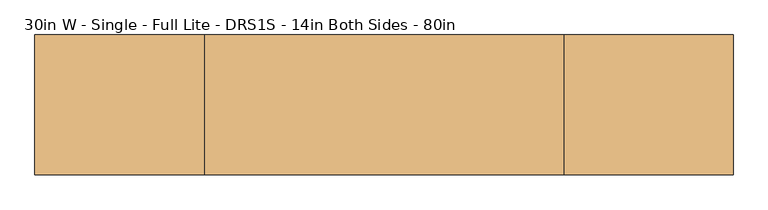
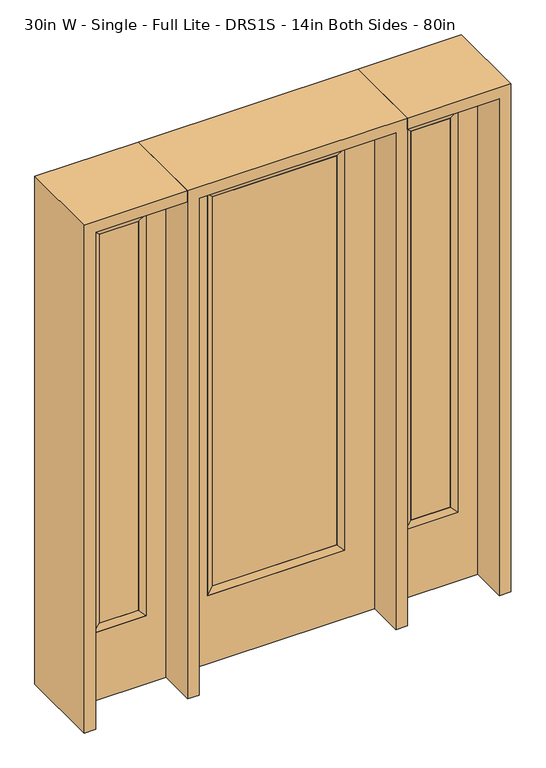
"""IFC4 building model written with IfcOpenShell, lengths in millimetres: door geometry, 30in W - Single - Full Lite - DRS1S - 14in Both Sides - 80in."""

from ifc_helpers import new_model, si_unit, frame, origin, place, context, project, spatial, polyline, outline, extrude, faceted_brep, source, transform, mapped, element, save


def door_30in_w_single_full_lite_drs1s_14in_both_sides_80in_858e8fc7(model_context):
    return source(origin(), model_context, "Body", "SolidModel", [
        extrude(outline(polyline([(240.1824, -12.7039749), (-240.1824, -12.7039749), (-240.1824, 14.2875), (240.1824, 14.2875), (240.1824, -12.7039749)])), frame((0.0, 0.0, 304.8), z_axis=(0.0, 0.0, 1.0), x_axis=(1.0, 0.0, 0.0)), (0.0, 0.0, 1.0), 1591.1576),
        faceted_brep([(240.1824, 14.2875, 1895.9576), (265.5824, 22.225, 1921.3576), (265.5824, 22.225, 279.4), (240.1824, 14.2875, 304.8), (265.5824, -22.225, 1921.3576), (265.5824, -22.225, 279.4), (-265.5824, 22.225, 279.4), (-240.1824, 14.2875, 304.8), (240.1824, -12.7039749, 1895.9576), (240.1824, -12.7039749, 304.8), (-240.1824, -12.7039749, 304.8), (-265.5824, -22.225, 279.4), (-265.5824, 22.225, 1921.3576), (-240.1824, 14.2875, 1895.9576), (-240.1824, -12.7039749, 1895.9576), (-265.5824, -22.225, 1921.3576)], [[[0, 1, 2, 3]], [[1, 4, 5, 2]], [[3, 2, 6, 7]], [[8, 0, 3, 9]], [[9, 3, 7, 10]], [[4, 8, 9, 5]], [[5, 9, 10, 11]], [[2, 5, 11, 6]], [[7, 6, 12, 13]], [[10, 7, 13, 14]], [[11, 10, 14, 15]], [[6, 11, 15, 12]], [[13, 12, 1, 0]], [[14, 13, 0, 8]], [[15, 14, 8, 4]], [[12, 15, 4, 1]]]),
        extrude(outline(polyline([(0.0, -381.0), (0.0, 381.0), (2032.0, 381.0), (2032.0, -381.0), (0.0, -381.0)]), holes=[polyline([(279.4, -265.5824), (1921.3576, -265.5824), (1921.3576, 265.5824), (279.4, 265.5824), (279.4, -265.5824)])]), frame((0.0, -22.225, 0.0), z_axis=(0.0, 1.0, 0.0), x_axis=(0.0, 0.0, 1.0)), (0.0, 0.0, 1.0), 44.45),
        faceted_brep([(501.65, 20.6375, 1920.875), (501.65, 20.6375, 279.4), (501.65, -20.6375, 279.4), (501.65, -20.6375, 1920.875), (527.05, -12.7, 304.8), (527.05, -12.7, 1895.475), (704.85, 20.6375, 279.4), (704.85, -20.6375, 279.4), (527.05, 12.7, 1895.475), (527.05, 12.7, 304.8), (679.45, 12.7, 304.8), (679.45, -12.7, 304.8), (704.85, 20.6375, 1920.875), (704.85, -20.6375, 1920.875), (679.45, 12.7, 1895.475), (679.45, -12.7, 1895.475)], [[[0, 1, 2, 3]], [[3, 2, 4, 5]], [[1, 6, 7, 2]], [[8, 9, 1, 0]], [[9, 10, 6, 1]], [[5, 4, 9, 8]], [[4, 11, 10, 9]], [[2, 7, 11, 4]], [[6, 12, 13, 7]], [[10, 14, 12, 6]], [[11, 15, 14, 10]], [[7, 13, 15, 11]], [[12, 0, 3, 13]], [[14, 8, 0, 12]], [[15, 5, 8, 14]], [[13, 3, 5, 15]]]),
        extrude(outline(polyline([(0.0, 781.05), (2032.0, 781.05), (2032.0, 425.45), (0.0, 425.45), (0.0, 781.05)]), holes=[polyline([(1920.875, 501.65), (1920.875, 704.85), (279.4, 704.85), (279.4, 501.65), (1920.875, 501.65)])]), frame((0.0, -20.6375, 0.0), z_axis=(0.0, 1.0, 0.0), x_axis=(0.0, 0.0, 1.0)), (0.0, 0.0, 1.0), 41.275),
        extrude(outline(polyline([(527.05, -12.7), (527.05, 12.7), (679.45, 12.7), (679.45, -12.7), (527.05, -12.7)])), frame((0.0, 0.0, 304.8), z_axis=(0.0, 0.0, 1.0), x_axis=(1.0, 0.0, 0.0)), (0.0, 0.0, 1.0), 1590.675),
        faceted_brep([(-501.65, 20.6375, 1920.875), (-501.65, -20.6375, 1920.875), (-501.65, -20.6375, 279.4), (-501.65, 20.6375, 279.4), (-527.05, -12.7, 1895.475), (-527.05, -12.7, 304.8), (-704.85, -20.6375, 279.4), (-704.85, 20.6375, 279.4), (-527.05, 12.7, 1895.475), (-527.05, 12.7, 304.8), (-679.45, 12.7, 304.8), (-679.45, -12.7, 304.8), (-704.85, -20.6375, 1920.875), (-704.85, 20.6375, 1920.875), (-679.45, 12.7, 1895.475), (-679.45, -12.7, 1895.475)], [[[0, 1, 2, 3]], [[1, 4, 5, 2]], [[3, 2, 6, 7]], [[8, 0, 3, 9]], [[9, 3, 7, 10]], [[4, 8, 9, 5]], [[5, 9, 10, 11]], [[2, 5, 11, 6]], [[7, 6, 12, 13]], [[10, 7, 13, 14]], [[11, 10, 14, 15]], [[6, 11, 15, 12]], [[13, 12, 1, 0]], [[14, 13, 0, 8]], [[15, 14, 8, 4]], [[12, 15, 4, 1]]]),
        extrude(outline(polyline([(0.0, -781.05), (0.0, -425.45), (2032.0, -425.45), (2032.0, -781.05), (0.0, -781.05)]), holes=[polyline([(1920.875, -501.65), (279.4, -501.65), (279.4, -704.85), (1920.875, -704.85), (1920.875, -501.65)])]), frame((0.0, -20.6375, 0.0), z_axis=(0.0, 1.0, 0.0), x_axis=(0.0, 0.0, 1.0)), (0.0, 0.0, 1.0), 41.275),
        extrude(outline(polyline([(-527.05, -12.7), (-679.45, -12.7), (-679.45, 12.7), (-527.05, 12.7), (-527.05, -12.7)])), frame((0.0, 0.0, 304.8), z_axis=(0.0, 0.0, 1.0), x_axis=(1.0, 0.0, 0.0)), (0.0, 0.0, 1.0), 1590.675),
        extrude(outline(polyline([(2032.0, -425.45), (2076.45, -425.45), (2076.45, -825.5), (0.0, -825.5), (0.0, -781.05), (2032.0, -781.05), (2032.0, -425.45)])), frame((0.0, -165.1, 0.0), z_axis=(0.0, 1.0, 0.0), x_axis=(0.0, 0.0, 1.0)), (0.0, 0.0, 1.0), 330.2),
        extrude(outline(polyline([(2076.45, -425.45), (0.0, -425.45), (0.0, -381.0), (2032.0, -381.0), (2032.0, 381.0), (0.0, 381.0), (0.0, 425.45), (2076.45, 425.45), (2076.45, -425.45)])), frame((0.0, -165.1, 0.0), z_axis=(0.0, 1.0, 0.0), x_axis=(0.0, 0.0, 1.0)), (0.0, 0.0, 1.0), 330.2),
        extrude(outline(polyline([(0.0, 781.05), (0.0, 825.5), (2076.45, 825.5), (2076.45, 425.45), (2032.0, 425.45), (2032.0, 781.05), (0.0, 781.05)])), frame((0.0, -165.1, 0.0), z_axis=(0.0, 1.0, 0.0), x_axis=(0.0, 0.0, 1.0)), (0.0, 0.0, 1.0), 330.2),
    ])


if __name__ == "__main__":
    model = new_model("IFC4")
    model_context = context("Model", 3, world=origin())
    ifc_project = project(units=[si_unit("LENGTHUNIT", "METRE", prefix="MILLI")], contexts=[model_context])
    site = spatial("IfcSite", under=ifc_project)
    building = spatial("IfcBuilding", under=site)
    placement = place(None, origin())
    door_30in_w_single_full_lite_drs1s_14in_both_sides_80in_shape = door_30in_w_single_full_lite_drs1s_14in_both_sides_80in_858e8fc7(model_context)
    element("IfcDoor", 1, ObjectType="30in W - Single - Full Lite - DRS1S - 14in Both Sides - 80in", at=placement, inside=building, context=model_context, shape_type="MappedRepresentation", body=[
        mapped(door_30in_w_single_full_lite_drs1s_14in_both_sides_80in_shape, transform((0.0, 0.0, 0.0), x_axis=(1.0, 0.0, 0.0), y_axis=(0.0, 1.0, 0.0), z_axis=(0.0, 0.0, 1.0))),
    ])
    save(model, "model.ifc")
